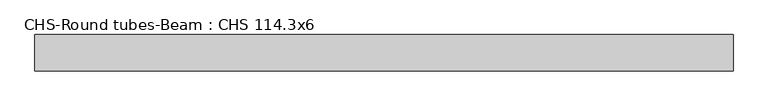
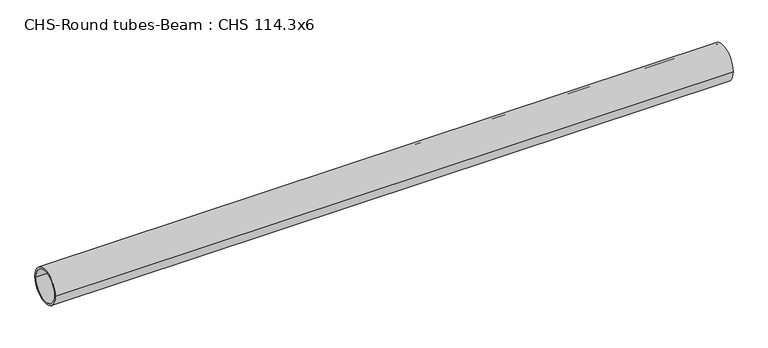
"""IFC4 building model written with IfcOpenShell, lengths in millimetres: beam geometry, CHS-Round tubes-Beam : CHS 114.3x6."""

from ifc_helpers import new_model, si_unit, point, frame, origin, origin_2d, place, context, project, spatial, circle_curve, trimmed, segment, composite_curve, outline, extrude, source, transform, mapped, element, save


def chs_round_tubes_beam_chs_114_3x6_01adc418(model_context):
    return source(origin(), model_context, "Body", "SweptSolid", [
        extrude(outline(composite_curve([segment(trimmed(circle_curve(origin_2d(), 57.15), [point((57.15, 0.0))], [point((-57.15, 0.0))], False, "CARTESIAN"), True, "CONTINUOUS"), segment(trimmed(circle_curve(origin_2d(), 57.15), [point((-57.15, 0.0))], [point((57.15, 0.0))], False, "CARTESIAN"), True, "CONTINUOUS")], self_intersect=False), holes=[composite_curve([segment(trimmed(circle_curve(origin_2d(), 51.15), [point((51.15, 0.0))], [point((-51.15, 0.0))], True, "CARTESIAN"), True, "CONTINUOUS"), segment(trimmed(circle_curve(origin_2d(), 51.15), [point((-51.15, 0.0))], [point((51.15, 0.0))], True, "CARTESIAN"), True, "CONTINUOUS")], self_intersect=False)]), frame((-1078.1831988, 0.0, 0.0), z_axis=(1.0, 0.0, 0.0), x_axis=(0.0, 1.0, 0.0)), (0.0, 0.0, 1.0), 2192.3402272),
    ])


if __name__ == "__main__":
    model = new_model("IFC4")
    model_context = context("Model", 3, world=origin())
    ifc_project = project(units=[si_unit("LENGTHUNIT", "METRE", prefix="MILLI")], contexts=[model_context])
    site = spatial("IfcSite", under=ifc_project)
    building = spatial("IfcBuilding", under=site)
    placement = place(None, origin())
    chs_round_tubes_beam_chs_114_3x6_shape = chs_round_tubes_beam_chs_114_3x6_01adc418(model_context)
    element("IfcBeam", 1, ObjectType="CHS-Round tubes-Beam : CHS 114.3x6", at=placement, inside=building, context=model_context, shape_type="MappedRepresentation", body=[
        mapped(chs_round_tubes_beam_chs_114_3x6_shape, transform((0.0, 0.0, 0.0), x_axis=(1.0, 0.0, 0.0), y_axis=(0.0, 1.0, 0.0), z_axis=(0.0, 0.0, 1.0))),
    ])
    save(model, "model.ifc")
